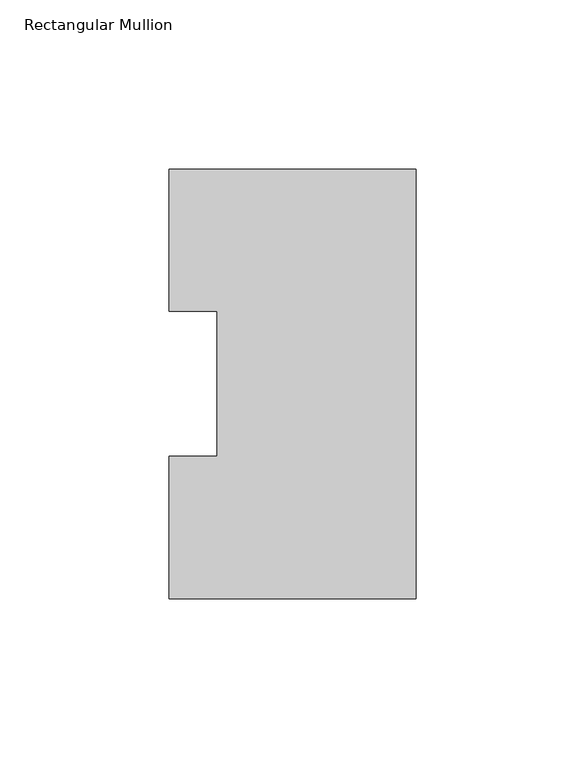
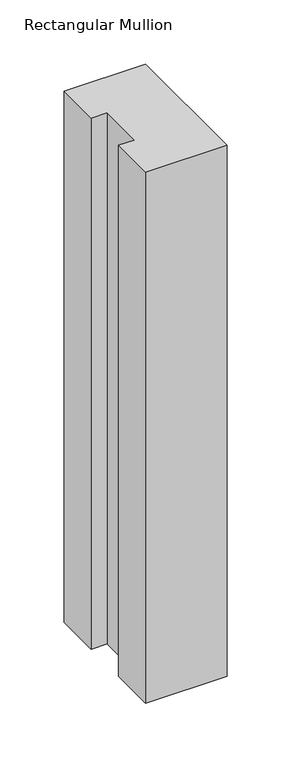
"""IFC4 building model written with IfcOpenShell, lengths in millimetres: member geometry, Rectangular Mullion."""

from ifc_helpers import new_model, si_unit, frame, origin, place, context, project, spatial, polyline, outline, extrude, source, transform, mapped, element, save


def rectangular_mullion_64c8f9a1(model_context):
    return source(origin(), model_context, "Body", "SweptSolid", [
        extrude(outline(polyline([(0.0, 127.006348), (0.0, 0.0063465), (-73.025, 0.0063465), (-73.025, 42.0814491), (-58.7375, 42.0814491), (-58.7375, 84.93125), (-73.025, 84.93125), (-73.025, 127.006348), (0.0, 127.006348)])), frame((0.0, 0.0, -504.8247287), z_axis=(0.0, 0.0, 1.0), x_axis=(1.0, 0.0, 0.0)), (0.0, 0.0, 1.0), 504.8247287),
    ])


if __name__ == "__main__":
    model = new_model("IFC4")
    model_context = context("Model", 3, world=origin())
    ifc_project = project(units=[si_unit("LENGTHUNIT", "METRE", prefix="MILLI")], contexts=[model_context])
    site = spatial("IfcSite", under=ifc_project)
    building = spatial("IfcBuilding", under=site)
    placement = place(None, origin())
    rectangular_mullion_shape = rectangular_mullion_64c8f9a1(model_context)
    element("IfcMember", 1, ObjectType="Rectangular Mullion", at=placement, inside=building, context=model_context, shape_type="MappedRepresentation", body=[
        mapped(rectangular_mullion_shape, transform((0.0, 0.0, 0.0), x_axis=(1.0, 0.0, 0.0), y_axis=(0.0, 1.0, 0.0), z_axis=(0.0, 0.0, 1.0))),
    ])
    save(model, "model.ifc")
